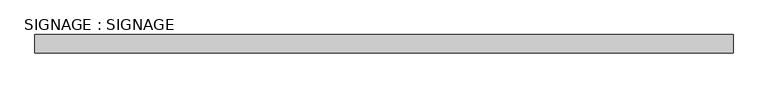
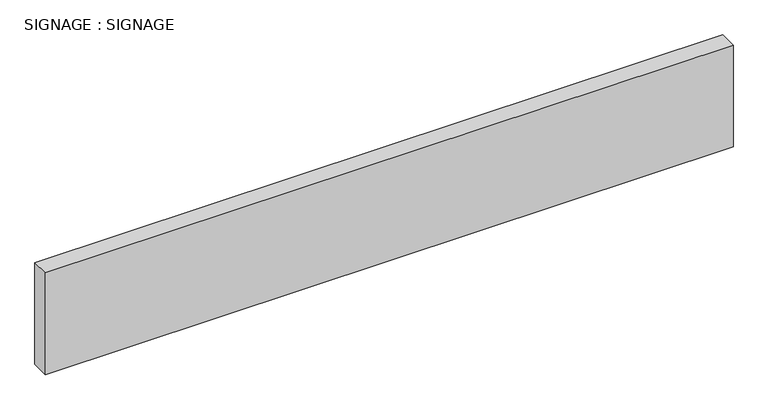
"""IFC4 building model written with IfcOpenShell, lengths in millimetres: proxy geometry, SIGNAGE : SIGNAGE."""

from ifc_helpers import new_model, si_unit, frame, origin, place, context, project, spatial, polyline, outline, extrude, source, transform, mapped, element, save


def signage_signage_e8b57f38(model_context):
    return source(origin(), model_context, "Body", "SweptSolid", [
        extrude(outline(polyline([(18235.0411672, -323.85), (23111.8411672, -323.85), (23111.8411672, -450.85), (18235.0411672, -450.85), (18235.0411672, -323.85)])), frame((0.0, 0.0, 4343.4), z_axis=(0.0, 0.0, 1.0), x_axis=(1.0, 0.0, 0.0)), (0.0, 0.0, 1.0), 762.0),
    ])


if __name__ == "__main__":
    model = new_model("IFC4")
    model_context = context("Model", 3, world=origin())
    ifc_project = project(units=[si_unit("LENGTHUNIT", "METRE", prefix="MILLI")], contexts=[model_context])
    site = spatial("IfcSite", under=ifc_project)
    building = spatial("IfcBuilding", under=site)
    placement = place(None, origin())
    signage_signage_shape = signage_signage_e8b57f38(model_context)
    element("IfcBuildingElementProxy", 1, Name="SIGNAGE : SIGNAGE", ObjectType="SIGNAGE : SIGNAGE", at=placement, inside=building, context=model_context, shape_type="MappedRepresentation", body=[
        mapped(signage_signage_shape, transform((0.0, 0.0, 0.0), x_axis=(1.0, 0.0, 0.0), y_axis=(0.0, 1.0, 0.0), z_axis=(0.0, 0.0, 1.0))),
    ])
    save(model, "model.ifc")
